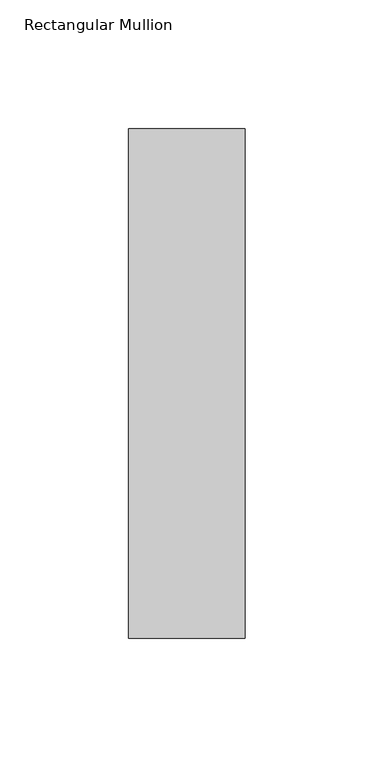
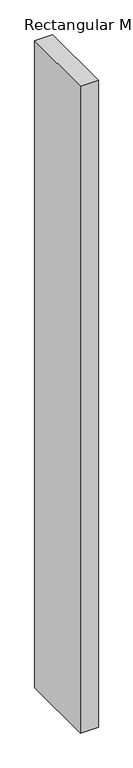
"""IFC4 building model written with IfcOpenShell, lengths in millimetres: member geometry, Rectangular Mullion."""

from ifc_helpers import new_model, si_unit, frame, origin, place, context, project, spatial, polyline, outline, extrude, source, transform, mapped, element, save


def rectangular_mullion_d34ab7dd(model_context):
    return source(origin(), model_context, "Body", "SweptSolid", [
        extrude(outline(polyline([(22.5, 144.19375), (22.5, -53.19375), (-22.5, -53.19375), (-22.5, 144.19375), (22.5, 144.19375)])), frame((0.0, 0.0, -1708.8912252), z_axis=(0.0, 0.0, 1.0), x_axis=(1.0, 0.0, 0.0)), (0.0, 0.0, 1.0), 1708.8912252),
    ])


if __name__ == "__main__":
    model = new_model("IFC4")
    model_context = context("Model", 3, world=origin())
    ifc_project = project(units=[si_unit("LENGTHUNIT", "METRE", prefix="MILLI")], contexts=[model_context])
    site = spatial("IfcSite", under=ifc_project)
    building = spatial("IfcBuilding", under=site)
    placement = place(None, origin())
    rectangular_mullion_shape = rectangular_mullion_d34ab7dd(model_context)
    element("IfcMember", 1, ObjectType="Rectangular Mullion", at=placement, inside=building, context=model_context, shape_type="MappedRepresentation", body=[
        mapped(rectangular_mullion_shape, transform((0.0, 0.0, 0.0), x_axis=(1.0, 0.0, 0.0), y_axis=(0.0, 1.0, 0.0), z_axis=(0.0, 0.0, 1.0))),
    ])
    save(model, "model.ifc")
